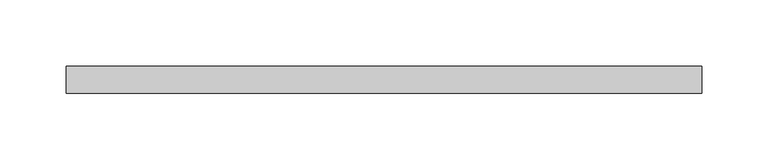
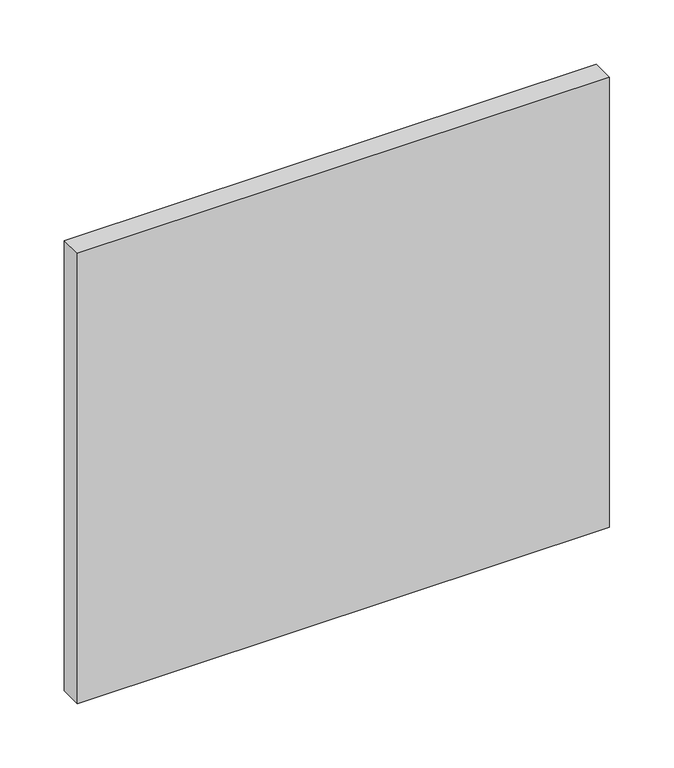
"""IFC4 building model written with IfcOpenShell, lengths in millimetres: plate geometry."""

from ifc_helpers import new_model, si_unit, origin, origin_with_axes, place, context, project, spatial, polyline, outline, extrude, source, transform, mapped, element, save


def plate_92d983c9(model_context):
    return source(origin(), model_context, "Body", "SweptSolid", [
        extrude(outline(polyline([(238.75, -90.0), (-238.75, -90.0), (-238.75, -70.0), (238.75, -70.0), (238.75, -90.0)])), origin_with_axes(), (0.0, 0.0, 1.0), 427.3076923),
    ])


if __name__ == "__main__":
    model = new_model("IFC4")
    model_context = context("Model", 3, world=origin())
    ifc_project = project(units=[si_unit("LENGTHUNIT", "METRE", prefix="MILLI")], contexts=[model_context])
    site = spatial("IfcSite", under=ifc_project)
    building = spatial("IfcBuilding", under=site)
    placement = place(None, origin())
    plate_shape = plate_92d983c9(model_context)
    element("IfcPlate", 1, at=placement, inside=building, context=model_context, shape_type="MappedRepresentation", body=[
        mapped(plate_shape, transform((0.0, 0.0, 0.0), x_axis=(1.0, 0.0, 0.0), y_axis=(0.0, 1.0, 0.0), z_axis=(0.0, 0.0, 1.0))),
    ])
    save(model, "model.ifc")
